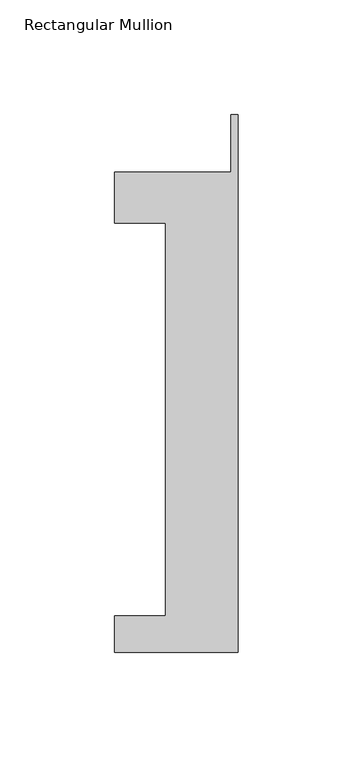
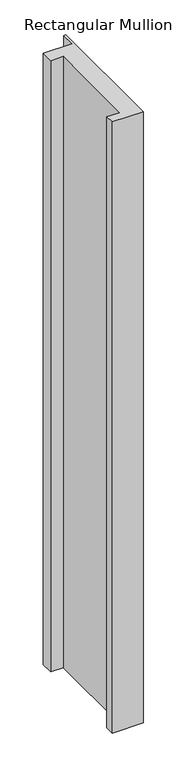
"""IFC4 building model written with IfcOpenShell, lengths in millimetres: member geometry, Rectangular Mullion."""

from ifc_helpers import new_model, si_unit, frame, origin, place, context, project, spatial, polyline, outline, extrude, source, transform, mapped, element, save


def rectangular_mullion_a4d88b42(model_context):
    return source(origin(), model_context, "Body", "SweptSolid", [
        extrude(outline(polyline([(-53.975, -221.996), (-53.975, -206.121), (-31.75, -206.121), (-31.75, -34.671), (-53.975, -34.671), (-53.975, -12.446), (-3.175, -12.446), (-3.175, 12.7), (0.0, 12.7), (0.0, -221.996), (-53.975, -221.996)])), frame((0.0, 0.0, -1132.4342079), z_axis=(0.0, 0.0, 1.0), x_axis=(1.0, 0.0, 0.0)), (0.0, 0.0, 1.0), 1132.4342079),
    ])


if __name__ == "__main__":
    model = new_model("IFC4")
    model_context = context("Model", 3, world=origin())
    ifc_project = project(units=[si_unit("LENGTHUNIT", "METRE", prefix="MILLI")], contexts=[model_context])
    site = spatial("IfcSite", under=ifc_project)
    building = spatial("IfcBuilding", under=site)
    placement = place(None, origin())
    rectangular_mullion_shape = rectangular_mullion_a4d88b42(model_context)
    element("IfcMember", 1, ObjectType="Rectangular Mullion", at=placement, inside=building, context=model_context, shape_type="MappedRepresentation", body=[
        mapped(rectangular_mullion_shape, transform((0.0, 0.0, 0.0), x_axis=(1.0, 0.0, 0.0), y_axis=(0.0, 1.0, 0.0), z_axis=(0.0, 0.0, 1.0))),
    ])
    save(model, "model.ifc")
